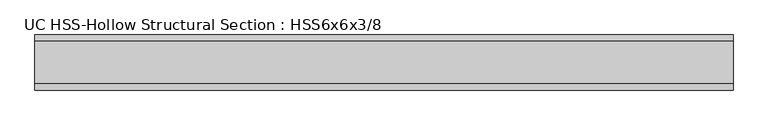
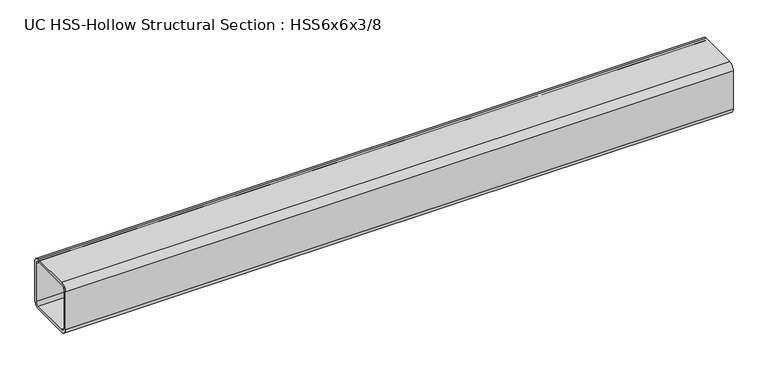
"""IFC4 building model written with IfcOpenShell, lengths in millimetres: beam geometry, UC HSS-Hollow Structural Section : HSS6x6x3/8."""

from ifc_helpers import new_model, si_unit, point, frame, frame_2d, origin, place, context, project, spatial, polyline, circle_curve, trimmed, segment, composite_curve, outline, extrude, source, transform, mapped, element, save


def uc_hss_hollow_structural_section_hss6x6x3_8_b5cf8d51(model_context):
    return source(origin(), model_context, "Body", "SweptSolid", [
        extrude(outline(composite_curve([segment(trimmed(circle_curve(frame_2d((-58.4708, 58.4708)), 17.7292), [point((-76.2, 58.4708))], [point((-58.4708, 76.2))], False, "CARTESIAN"), True, "CONTINUOUS"), segment(polyline([(-58.4708, 76.2), (58.4708, 76.2)]), True, "CONTINUOUS"), segment(trimmed(circle_curve(frame_2d((58.4708, 58.4708)), 17.7292), [point((58.4708, 76.2))], [point((76.2, 58.4708))], False, "CARTESIAN"), True, "CONTINUOUS"), segment(polyline([(76.2, 58.4708), (76.2, -58.4708)]), True, "CONTINUOUS"), segment(trimmed(circle_curve(frame_2d((58.4708, -58.4708)), 17.7292), [point((76.2, -58.4708))], [point((58.4708, -76.2))], False, "CARTESIAN"), True, "CONTINUOUS"), segment(polyline([(58.4708, -76.2), (-58.4708, -76.2)]), True, "CONTINUOUS"), segment(trimmed(circle_curve(frame_2d((-58.4708, -58.4708)), 17.7292), [point((-58.4708, -76.2))], [point((-76.2, -58.4708))], False, "CARTESIAN"), True, "CONTINUOUS"), segment(polyline([(-76.2, -58.4708), (-76.2, 58.4708)]), True, "CONTINUOUS")], self_intersect=False), holes=[composite_curve([segment(polyline([(58.4708, 67.3354), (-58.4708, 67.3354)]), True, "CONTINUOUS"), segment(trimmed(circle_curve(frame_2d((-58.4708, 58.4708)), 8.8646), [point((-58.4708, 67.3354))], [point((-67.3354, 58.4708))], True, "CARTESIAN"), True, "CONTINUOUS"), segment(polyline([(-67.3354, 58.4708), (-67.3354, -58.4708)]), True, "CONTINUOUS"), segment(trimmed(circle_curve(frame_2d((-58.4708, -58.4708)), 8.8646), [point((-67.3354, -58.4708))], [point((-58.4708, -67.3354))], True, "CARTESIAN"), True, "CONTINUOUS"), segment(polyline([(-58.4708, -67.3354), (58.4708, -67.3354)]), True, "CONTINUOUS"), segment(trimmed(circle_curve(frame_2d((58.4708, -58.4708)), 8.8646), [point((58.4708, -67.3354))], [point((67.3354, -58.4708))], True, "CARTESIAN"), True, "CONTINUOUS"), segment(polyline([(67.3354, -58.4708), (67.3354, 58.4708)]), True, "CONTINUOUS"), segment(trimmed(circle_curve(frame_2d((58.4708, 58.4708)), 8.8646), [point((67.3354, 58.4708))], [point((58.4708, 67.3354))], True, "CARTESIAN"), True, "CONTINUOUS")], self_intersect=False)]), frame((-900.4773497, 0.0, 0.0), z_axis=(1.0, 0.0, 0.0), x_axis=(0.0, 1.0, 0.0)), (0.0, 0.0, 1.0), 1930.5358705),
    ])


if __name__ == "__main__":
    model = new_model("IFC4")
    model_context = context("Model", 3, world=origin())
    ifc_project = project(units=[si_unit("LENGTHUNIT", "METRE", prefix="MILLI")], contexts=[model_context])
    site = spatial("IfcSite", under=ifc_project)
    building = spatial("IfcBuilding", under=site)
    placement = place(None, origin())
    uc_hss_hollow_structural_section_hss6x6x3_8_shape = uc_hss_hollow_structural_section_hss6x6x3_8_b5cf8d51(model_context)
    element("IfcBeam", 1, ObjectType="UC HSS-Hollow Structural Section : HSS6x6x3/8", at=placement, inside=building, context=model_context, shape_type="MappedRepresentation", body=[
        mapped(uc_hss_hollow_structural_section_hss6x6x3_8_shape, transform((0.0, 0.0, 0.0), x_axis=(1.0, 0.0, 0.0), y_axis=(0.0, 1.0, 0.0), z_axis=(0.0, 0.0, 1.0))),
    ])
    save(model, "model.ifc")
